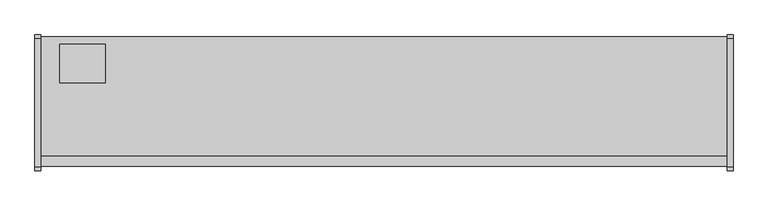
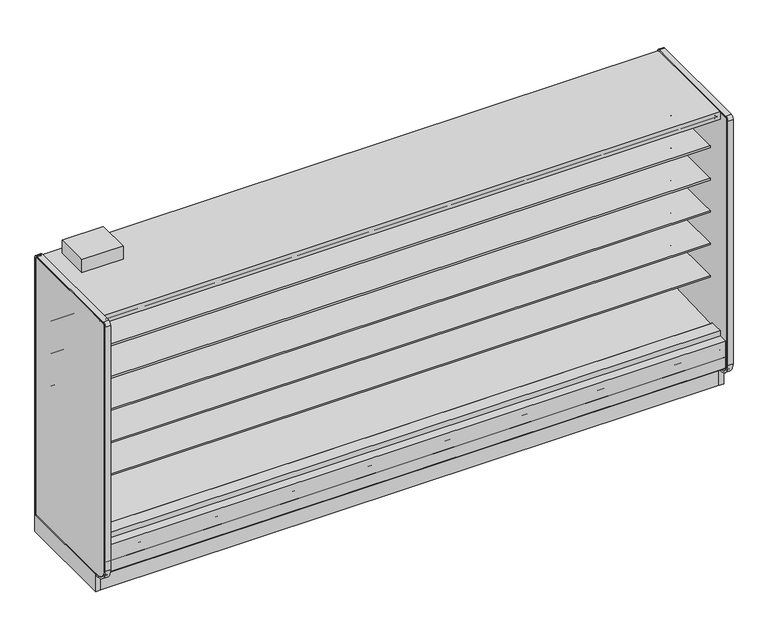
"""IFC4 building model written with IfcOpenShell, lengths in millimetres: proxy geometry."""

from ifc_helpers import new_model, si_unit, point, frame, frame_2d, origin, origin_with_axes, place, context, project, spatial, polyline, circle_curve, trimmed, segment, composite_curve, outline, extrude, source, transform, mapped, element, save


def mechanical_equipment_780d2675(model_context):
    return source(origin(), model_context, "Body", "SweptSolid", [
        extrude(outline(polyline([(0.0, -76.2), (0.0, 0.0), (4572.0, 0.0), (4572.0, -76.2), (0.0, -76.2)])), frame((4572.0, -1069.7024444, 2067.8753304), z_axis=(0.0, 0.08686991344759683, 0.9962196635971442), x_axis=(-1.0, 0.0, 0.0)), (0.0, 0.0, 1.0), 13.49375),
        extrude(outline(polyline([(-1116.7224764, 0.0), (-1116.7224764, 200.9830033), (-1104.0224764, 190.326438), (-1104.0224764, 0.0), (-1116.7224764, 0.0)])), frame((0.0, 0.0, 0.0), z_axis=(1.0, 0.0, 0.0), x_axis=(0.0, 1.0, 0.0)), (0.0, 0.0, 1.0), 4572.0),
        extrude(outline(composite_curve([segment(polyline([(-453.852044, 1714.883004), (-464.9599362, 1714.6666869)]), True, "CONTINUOUS"), segment(trimmed(circle_curve(frame_2d((-465.4478819, 1739.7227147)), 25.0607786), [point((-464.9599362, 1714.6666869))], [point((-481.3552045, 1720.3578055))], False, "CARTESIAN"), True, "CONTINUOUS"), segment(polyline([(-481.3552045, 1720.3578055), (-519.5769051, 1751.4410741)]), True, "CONTINUOUS"), segment(trimmed(circle_curve(frame_2d((-559.6413782, 1702.1755893)), 63.5), [point((-519.5769051, 1751.4410741))], [point((-552.7883688, 1765.304713))], True, "CARTESIAN"), True, "CONTINUOUS"), segment(polyline([(-552.7883688, 1765.304713), (-892.1960421, 1797.9152031), (-892.1960421, 1802.1995295), (-1012.652044, 1802.1995295), (-1012.652044, 1815.6932795), (-453.852044, 1815.6932795), (-453.852044, 1714.883004)]), True, "CONTINUOUS")], self_intersect=False)), frame((0.0, 0.0, 0.0), z_axis=(1.0, 0.0, 0.0), x_axis=(0.0, 1.0, 0.0)), (0.0, 0.0, 1.0), 4572.0),
        extrude(outline(composite_curve([segment(polyline([(-453.852044, 698.883004), (-464.9599362, 698.6666869)]), True, "CONTINUOUS"), segment(trimmed(circle_curve(frame_2d((-465.4478819, 723.7227147)), 25.0607786), [point((-464.9599362, 698.6666869))], [point((-481.3552045, 704.3578055))], False, "CARTESIAN"), True, "CONTINUOUS"), segment(polyline([(-481.3552045, 704.3578055), (-519.5769051, 735.4410741)]), True, "CONTINUOUS"), segment(trimmed(circle_curve(frame_2d((-559.6413782, 686.1755893)), 63.5), [point((-519.5769051, 735.4410741))], [point((-552.7883688, 749.304713))], True, "CARTESIAN"), True, "CONTINUOUS"), segment(polyline([(-552.7883688, 749.304713), (-892.1960421, 781.9152031), (-892.1960421, 786.1995295), (-1012.652044, 786.1995295), (-1012.652044, 799.6932795), (-453.852044, 799.6932795), (-453.852044, 698.883004)]), True, "CONTINUOUS")], self_intersect=False)), frame((0.0, 0.0, 0.0), z_axis=(1.0, 0.0, 0.0), x_axis=(0.0, 1.0, 0.0)), (0.0, 0.0, 1.0), 4572.0),
        extrude(outline(composite_curve([segment(polyline([(-453.852044, 952.883004), (-464.9599362, 952.6666869)]), True, "CONTINUOUS"), segment(trimmed(circle_curve(frame_2d((-465.4478819, 977.7227147)), 25.0607786), [point((-464.9599362, 952.6666869))], [point((-481.3552045, 958.3578055))], False, "CARTESIAN"), True, "CONTINUOUS"), segment(polyline([(-481.3552045, 958.3578055), (-519.5769051, 989.4410741)]), True, "CONTINUOUS"), segment(trimmed(circle_curve(frame_2d((-559.6413782, 940.1755893)), 63.5), [point((-519.5769051, 989.4410741))], [point((-552.7883688, 1003.304713))], True, "CARTESIAN"), True, "CONTINUOUS"), segment(polyline([(-552.7883688, 1003.304713), (-892.1960421, 1035.9152031), (-892.1960421, 1040.1995295), (-1012.652044, 1040.1995295), (-1012.652044, 1053.6932795), (-453.852044, 1053.6932795), (-453.852044, 952.883004)]), True, "CONTINUOUS")], self_intersect=False)), frame((0.0, 0.0, 0.0), z_axis=(1.0, 0.0, 0.0), x_axis=(0.0, 1.0, 0.0)), (0.0, 0.0, 1.0), 4572.0),
        extrude(outline(composite_curve([segment(polyline([(-453.852044, 1206.883004), (-464.9599362, 1206.6666869)]), True, "CONTINUOUS"), segment(trimmed(circle_curve(frame_2d((-465.4478819, 1231.7227147)), 25.0607786), [point((-464.9599362, 1206.6666869))], [point((-481.3552045, 1212.3578055))], False, "CARTESIAN"), True, "CONTINUOUS"), segment(polyline([(-481.3552045, 1212.3578055), (-519.5769051, 1243.4410741)]), True, "CONTINUOUS"), segment(trimmed(circle_curve(frame_2d((-559.6413782, 1194.1755893)), 63.5), [point((-519.5769051, 1243.4410741))], [point((-552.7883688, 1257.304713))], True, "CARTESIAN"), True, "CONTINUOUS"), segment(polyline([(-552.7883688, 1257.304713), (-892.1960421, 1289.9152031), (-892.1960421, 1294.1995295), (-1012.652044, 1294.1995295), (-1012.652044, 1307.6932795), (-453.852044, 1307.6932795), (-453.852044, 1206.883004)]), True, "CONTINUOUS")], self_intersect=False)), frame((0.0, 0.0, 0.0), z_axis=(1.0, 0.0, 0.0), x_axis=(0.0, 1.0, 0.0)), (0.0, 0.0, 1.0), 4572.0),
        extrude(outline(composite_curve([segment(polyline([(-453.852044, 1460.883004), (-464.9599362, 1460.6666869)]), True, "CONTINUOUS"), segment(trimmed(circle_curve(frame_2d((-465.4478819, 1485.7227147)), 25.0607786), [point((-464.9599362, 1460.6666869))], [point((-481.3552045, 1466.3578055))], False, "CARTESIAN"), True, "CONTINUOUS"), segment(polyline([(-481.3552045, 1466.3578055), (-519.5769051, 1497.4410741)]), True, "CONTINUOUS"), segment(trimmed(circle_curve(frame_2d((-559.6413782, 1448.1755893)), 63.5), [point((-519.5769051, 1497.4410741))], [point((-552.7883688, 1511.304713))], True, "CARTESIAN"), True, "CONTINUOUS"), segment(polyline([(-552.7883688, 1511.304713), (-892.1960421, 1543.9152031), (-892.1960421, 1548.1995295), (-1012.652044, 1548.1995295), (-1012.652044, 1561.6932795), (-453.852044, 1561.6932795), (-453.852044, 1460.883004)]), True, "CONTINUOUS")], self_intersect=False)), frame((0.0, 0.0, 0.0), z_axis=(1.0, 0.0, 0.0), x_axis=(0.0, 1.0, 0.0)), (0.0, 0.0, 1.0), 4572.0),
        extrude(outline(composite_curve([segment(trimmed(circle_curve(frame_2d((-1205.2112901, 192.5834383)), 3.175), [point((-1203.6237901, 189.8338076))], [point((-1208.3862901, 192.5834383))], False, "CARTESIAN"), True, "CONTINUOUS"), segment(polyline([(-1208.3862901, 192.5834383), (-1208.3862901, 404.4766923), (-1140.7995461, 404.4766923), (-1140.7995461, 389.4530238), (-1191.4362273, 389.4530238), (-1191.4362273, 263.6779615), (-1151.099162, 229.8208457), (-1203.6237901, 189.8338076)]), True, "CONTINUOUS")], self_intersect=False)), frame((0.0, 0.0, 0.0), z_axis=(1.0, 0.0, 0.0), x_axis=(0.0, 1.0, 0.0)), (0.0, 0.0, 1.0), 4572.0),
        extrude(outline(polyline([(-957.9724764, 130.5306), (-957.9724764, 0.0), (-1116.7224764, 0.0), (-1116.7224764, 200.9830033), (-1032.7605717, 130.5306), (-957.9724764, 130.5306)])), frame((0.0, 0.0, 0.0), z_axis=(1.0, 0.0, 0.0), x_axis=(0.0, 1.0, 0.0)), (0.0, 0.0, 1.0), 4572.0),
        extrude(outline(polyline([(431.8, -399.1724764), (431.8, -653.1724764), (127.0, -653.1724764), (127.0, -399.1724764), (431.8, -399.1724764)])), frame((0.0, 0.0, 2160.5892404), z_axis=(0.0, 0.0, 1.0), x_axis=(1.0, 0.0, 0.0)), (0.0, 0.0, 1.0), 100.0107596),
        extrude(outline(polyline([(-1032.7605717, 130.5306), (-1191.4362273, 263.6752841), (-1191.4362273, 389.4530238), (-1140.7995461, 389.4530238), (-1140.7995461, 291.8489814), (-1030.1279807, 198.9845117), (-1014.582444, 199.5273738), (-969.0109428, 166.5598124), (-899.9654388, 168.9709345), (-859.8822128, 202.4654113), (-402.3474764, 229.9627575), (-402.3474764, 2101.1826079), (-1140.7995461, 2101.1826079), (-1140.7995461, 2159.0), (-348.3724764, 2159.0), (-348.3724764, 130.5306), (-1032.7605717, 130.5306)])), frame((0.0, 0.0, 0.0), z_axis=(1.0, 0.0, 0.0), x_axis=(0.0, 1.0, 0.0)), (0.0, 0.0, 1.0), 4572.0),
        extrude(outline(composite_curve([segment(polyline([(-610.9918112, 2075.7826079), (-992.875881, 2075.7826079), (-992.8481892, 2077.4254758), (-1070.7201873, 2084.2158796), (-1070.7201873, 2074.3348079)]), True, "CONTINUOUS"), segment(trimmed(circle_curve(frame_2d((-1073.2601873, 2074.3348079)), 2.54), [point((-1070.7201873, 2074.3348079))], [point((-1073.2601873, 2071.7948079))], False, "CARTESIAN"), True, "CONTINUOUS"), segment(polyline([(-1073.2601873, 2071.7948079), (-1082.4803873, 2071.7948079)]), True, "CONTINUOUS"), segment(trimmed(circle_curve(frame_2d((-1082.4803873, 2074.3348079)), 2.54), [point((-1082.4803873, 2071.7948079))], [point((-1085.0203873, 2074.3348079))], False, "CARTESIAN"), True, "CONTINUOUS"), segment(polyline([(-1085.0203873, 2074.3348079), (-1085.0203873, 2094.529083)]), True, "CONTINUOUS"), segment(trimmed(circle_curve(frame_2d((-1087.5603873, 2094.529083)), 2.54), [point((-1085.0203873, 2094.529083))], [point((-1087.5603873, 2097.069083))], True, "CARTESIAN"), True, "CONTINUOUS"), segment(polyline([(-1087.5603873, 2097.069083), (-1101.5303873, 2097.069083)]), True, "CONTINUOUS"), segment(trimmed(circle_curve(frame_2d((-1101.5303873, 2099.609083)), 2.54), [point((-1101.5303873, 2097.069083))], [point((-1104.0703873, 2099.609083))], False, "CARTESIAN"), True, "CONTINUOUS"), segment(polyline([(-1104.0703873, 2099.609083), (-1104.0703873, 2101.1826079), (-402.3474764, 2101.1826079), (-402.3474764, 445.9092331), (-453.852044, 445.9092331), (-453.852044, 2075.7826079), (-610.9918112, 2075.7826079)]), True, "CONTINUOUS")], self_intersect=False)), frame((0.0, 0.0, 0.0), z_axis=(1.0, 0.0, 0.0), x_axis=(0.0, 1.0, 0.0)), (0.0, 0.0, 1.0), 4572.0),
        extrude(outline(composite_curve([segment(polyline([(-453.852044, 445.9092331), (-402.3474764, 445.9092331), (-402.3474764, 229.9627575), (-859.8822128, 202.4654113), (-899.9654388, 168.9709345), (-969.0109428, 166.5598124), (-1014.582444, 199.5273738), (-1030.1279807, 198.9845117), (-1140.7995461, 291.8489814), (-1140.7995461, 445.9478), (-1046.459444, 445.9478)]), True, "CONTINUOUS"), segment(trimmed(circle_curve(frame_2d((-1046.459444, 443.8904)), 2.0574), [point((-1046.459444, 445.9478))], [point((-1044.402044, 443.8904))], False, "CARTESIAN"), True, "CONTINUOUS"), segment(polyline([(-1044.402044, 443.8904), (-1044.402044, 423.8521774), (-453.852044, 445.9092331)]), True, "CONTINUOUS")], self_intersect=False)), frame((0.0, 0.0, 0.0), z_axis=(1.0, 0.0, 0.0), x_axis=(0.0, 1.0, 0.0)), (0.0, 0.0, 1.0), 4572.0),
        extrude(outline(polyline([(-957.9724764, 0.0), (-957.9724764, 130.5306), (-348.3724764, 130.5306), (-348.3724764, 0.0), (-394.3083324, 0.0), (-394.3083324, 74.8810382), (-886.6366205, 74.8810382), (-886.6366205, 0.0), (-957.9724764, 0.0)])), frame((0.0, 0.0, 0.0), z_axis=(1.0, 0.0, 0.0), x_axis=(0.0, 1.0, 0.0)), (0.0, 0.0, 1.0), 4572.0),
        extrude(outline(composite_curve([segment(polyline([(-1214.1946273, 2159.0), (-361.0724764, 2159.0)]), True, "CONTINUOUS"), segment(trimmed(circle_curve(frame_2d((-361.0724764, 2146.3)), 12.7), [point((-361.0724764, 2159.0))], [point((-348.3724764, 2146.3))], False, "CARTESIAN"), True, "CONTINUOUS"), segment(polyline([(-348.3724764, 2146.3), (-348.3724764, 143.2306), (-1137.9946273, 143.2306)]), True, "CONTINUOUS"), segment(trimmed(circle_curve(frame_2d((-1137.9946273, 232.1306)), 88.9), [point((-1137.9946273, 143.2306))], [point((-1226.8946273, 232.1306))], False, "CARTESIAN"), True, "CONTINUOUS"), segment(polyline([(-1226.8946273, 232.1306), (-1226.8946273, 2146.3)]), True, "CONTINUOUS"), segment(trimmed(circle_curve(frame_2d((-1214.1946273, 2146.3)), 12.7), [point((-1226.8946273, 2146.3))], [point((-1214.1946273, 2159.0))], False, "CARTESIAN"), True, "CONTINUOUS")], self_intersect=False)), frame((-38.1, 0.0, 0.0), z_axis=(1.0, 0.0, 0.0), x_axis=(0.0, 1.0, 0.0)), (0.0, 0.0, 1.0), 38.1),
        extrude(outline(composite_curve([segment(polyline([(-1239.5946273, 232.1306), (-1239.5946273, 2146.3)]), True, "CONTINUOUS"), segment(trimmed(circle_curve(frame_2d((-1214.1946273, 2146.3)), 25.4), [point((-1239.5946273, 2146.3))], [point((-1214.1946273, 2171.7))], False, "CARTESIAN"), True, "CONTINUOUS"), segment(polyline([(-1214.1946273, 2171.7), (-361.0724764, 2171.7)]), True, "CONTINUOUS"), segment(trimmed(circle_curve(frame_2d((-361.0724764, 2146.3)), 25.4), [point((-361.0724764, 2171.7))], [point((-335.6724764, 2146.3))], False, "CARTESIAN"), True, "CONTINUOUS"), segment(polyline([(-335.6724764, 2146.3), (-335.6724764, 130.5306), (-348.3724764, 130.5306), (-348.3724764, 2146.3)]), True, "CONTINUOUS"), segment(trimmed(circle_curve(frame_2d((-361.0724764, 2146.3)), 12.7), [point((-348.3724764, 2146.3))], [point((-361.0724764, 2159.0))], True, "CARTESIAN"), True, "CONTINUOUS"), segment(polyline([(-361.0724764, 2159.0), (-1214.1946273, 2159.0)]), True, "CONTINUOUS"), segment(trimmed(circle_curve(frame_2d((-1214.1946273, 2146.3)), 12.7), [point((-1214.1946273, 2159.0))], [point((-1226.8946273, 2146.3))], True, "CARTESIAN"), True, "CONTINUOUS"), segment(polyline([(-1226.8946273, 2146.3), (-1226.8946273, 232.1306)]), True, "CONTINUOUS"), segment(trimmed(circle_curve(frame_2d((-1137.9946273, 232.1306)), 88.9), [point((-1226.8946273, 232.1306))], [point((-1137.9946273, 143.2306))], True, "CARTESIAN"), True, "CONTINUOUS"), segment(polyline([(-1137.9946273, 143.2306), (-1116.7224764, 143.2306), (-1116.7224764, 130.5306), (-1137.9946273, 130.5306)]), True, "CONTINUOUS"), segment(trimmed(circle_curve(frame_2d((-1137.9946273, 232.1306)), 101.6), [point((-1137.9946273, 130.5306))], [point((-1239.5946273, 232.1306))], False, "CARTESIAN"), True, "CONTINUOUS")], self_intersect=False)), frame((-38.1, 0.0, 0.0), z_axis=(1.0, 0.0, 0.0), x_axis=(0.0, 1.0, 0.0)), (0.0, 0.0, 1.0), 38.1),
        extrude(outline(composite_curve([segment(polyline([(-1239.5946273, 232.1306), (-1239.5946273, 2146.3)]), True, "CONTINUOUS"), segment(trimmed(circle_curve(frame_2d((-1214.1946273, 2146.3)), 25.4), [point((-1239.5946273, 2146.3))], [point((-1214.1946273, 2171.7))], False, "CARTESIAN"), True, "CONTINUOUS"), segment(polyline([(-1214.1946273, 2171.7), (-361.0724764, 2171.7)]), True, "CONTINUOUS"), segment(trimmed(circle_curve(frame_2d((-361.0724764, 2146.3)), 25.4), [point((-361.0724764, 2171.7))], [point((-335.6724764, 2146.3))], False, "CARTESIAN"), True, "CONTINUOUS"), segment(polyline([(-335.6724764, 2146.3), (-335.6724764, 130.5306), (-348.3724764, 130.5306), (-348.3724764, 2146.3)]), True, "CONTINUOUS"), segment(trimmed(circle_curve(frame_2d((-361.0724764, 2146.3)), 12.7), [point((-348.3724764, 2146.3))], [point((-361.0724764, 2159.0))], True, "CARTESIAN"), True, "CONTINUOUS"), segment(polyline([(-361.0724764, 2159.0), (-1214.1946273, 2159.0)]), True, "CONTINUOUS"), segment(trimmed(circle_curve(frame_2d((-1214.1946273, 2146.3)), 12.7), [point((-1214.1946273, 2159.0))], [point((-1226.8946273, 2146.3))], True, "CARTESIAN"), True, "CONTINUOUS"), segment(polyline([(-1226.8946273, 2146.3), (-1226.8946273, 232.1306)]), True, "CONTINUOUS"), segment(trimmed(circle_curve(frame_2d((-1137.9946273, 232.1306)), 88.9), [point((-1226.8946273, 232.1306))], [point((-1137.9946273, 143.2306))], True, "CARTESIAN"), True, "CONTINUOUS"), segment(polyline([(-1137.9946273, 143.2306), (-1116.7224764, 143.2306), (-1116.7224764, 130.5306), (-1137.9946273, 130.5306)]), True, "CONTINUOUS"), segment(trimmed(circle_curve(frame_2d((-1137.9946273, 232.1306)), 101.6), [point((-1137.9946273, 130.5306))], [point((-1239.5946273, 232.1306))], False, "CARTESIAN"), True, "CONTINUOUS")], self_intersect=False)), frame((4572.0, 0.0, 0.0), z_axis=(1.0, 0.0, 0.0), x_axis=(0.0, 1.0, 0.0)), (0.0, 0.0, 1.0), 38.1),
        extrude(outline(composite_curve([segment(polyline([(-1214.1946273, 2159.0), (-361.0724764, 2159.0)]), True, "CONTINUOUS"), segment(trimmed(circle_curve(frame_2d((-361.0724764, 2146.3)), 12.7), [point((-361.0724764, 2159.0))], [point((-348.3724764, 2146.3))], False, "CARTESIAN"), True, "CONTINUOUS"), segment(polyline([(-348.3724764, 2146.3), (-348.3724764, 143.2306), (-1137.9946273, 143.2306)]), True, "CONTINUOUS"), segment(trimmed(circle_curve(frame_2d((-1137.9946273, 232.1306)), 88.9), [point((-1137.9946273, 143.2306))], [point((-1226.8946273, 232.1306))], False, "CARTESIAN"), True, "CONTINUOUS"), segment(polyline([(-1226.8946273, 232.1306), (-1226.8946273, 2146.3)]), True, "CONTINUOUS"), segment(trimmed(circle_curve(frame_2d((-1214.1946273, 2146.3)), 12.7), [point((-1226.8946273, 2146.3))], [point((-1214.1946273, 2159.0))], False, "CARTESIAN"), True, "CONTINUOUS")], self_intersect=False)), frame((4572.0, 0.0, 0.0), z_axis=(1.0, 0.0, 0.0), x_axis=(0.0, 1.0, 0.0)), (0.0, 0.0, 1.0), 38.1),
        extrude(outline(polyline([(4610.1, -335.6724764), (4610.1, -1116.7224764), (4572.0, -1116.7224764), (4572.0, -335.6724764), (4610.1, -335.6724764)])), origin_with_axes(), (0.0, 0.0, 1.0), 143.2306),
        extrude(outline(polyline([(457.2, -1044.3321273), (457.2, -1108.244384), (254.0, -1108.244384), (254.0, -1044.3321273), (457.2, -1044.3321273)])), frame((0.0, 0.0, 44.45), z_axis=(0.0, 0.0, 1.0), x_axis=(1.0, 0.0, 0.0)), (0.0, 0.0, 1.0), 6.35),
        extrude(outline(polyline([(0.0, -335.6724764), (0.0, -1116.7224764), (-38.1, -1116.7224764), (-38.1, -335.6724764), (0.0, -335.6724764)])), origin_with_axes(), (0.0, 0.0, 1.0), 130.5306),
        extrude(outline(composite_curve([segment(trimmed(circle_curve(frame_2d((2286.0, -936.3821273)), 38.1), [point((2247.9, -936.3821273))], [point((2324.1, -936.3821273))], False, "CARTESIAN"), True, "CONTINUOUS"), segment(trimmed(circle_curve(frame_2d((2286.0, -936.3821273)), 38.1), [point((2324.1, -936.3821273))], [point((2247.9, -936.3821273))], False, "CARTESIAN"), True, "CONTINUOUS")], self_intersect=False)), frame((0.0, 0.0, 61.2666507), z_axis=(0.0, 0.0, 1.0), x_axis=(1.0, 0.0, 0.0)), (0.0, 0.0, 1.0), 65.7333493),
        extrude(outline(composite_curve([segment(trimmed(circle_curve(frame_2d((2484.4375, -939.5571273)), 12.7), [point((2471.7375, -939.5571273))], [point((2497.1375, -939.5571273))], False, "CARTESIAN"), True, "CONTINUOUS"), segment(trimmed(circle_curve(frame_2d((2484.4375, -939.5571273)), 12.7), [point((2497.1375, -939.5571273))], [point((2471.7375, -939.5571273))], False, "CARTESIAN"), True, "CONTINUOUS")], self_intersect=False)), frame((0.0, 0.0, 61.2666507), z_axis=(0.0, 0.0, 1.0), x_axis=(1.0, 0.0, 0.0)), (0.0, 0.0, 1.0), 65.7333493),
        extrude(outline(composite_curve([segment(trimmed(circle_curve(frame_2d((2433.6375, -939.5571273)), 9.525), [point((2424.1125, -939.5571273))], [point((2443.1625, -939.5571273))], False, "CARTESIAN"), True, "CONTINUOUS"), segment(trimmed(circle_curve(frame_2d((2433.6375, -939.5571273)), 9.525), [point((2443.1625, -939.5571273))], [point((2424.1125, -939.5571273))], False, "CARTESIAN"), True, "CONTINUOUS")], self_intersect=False)), frame((0.0, 0.0, 61.2666507), z_axis=(0.0, 0.0, 1.0), x_axis=(1.0, 0.0, 0.0)), (0.0, 0.0, 1.0), 65.7333493),
    ])


if __name__ == "__main__":
    model = new_model("IFC4")
    model_context = context("Model", 3, world=origin())
    ifc_project = project(units=[si_unit("LENGTHUNIT", "METRE", prefix="MILLI")], contexts=[model_context])
    site = spatial("IfcSite", under=ifc_project)
    building = spatial("IfcBuilding", under=site)
    placement = place(None, origin())
    mechanical_equipment_shape = mechanical_equipment_780d2675(model_context)
    element("IfcBuildingElementProxy", 1, Name="Mechanical Equipment", at=placement, inside=building, context=model_context, shape_type="MappedRepresentation", body=[
        mapped(mechanical_equipment_shape, transform((0.0, 0.0, 0.0), x_axis=(1.0, 0.0, 0.0), y_axis=(0.0, 1.0, 0.0), z_axis=(0.0, 0.0, 1.0))),
    ])
    save(model, "model.ifc")
